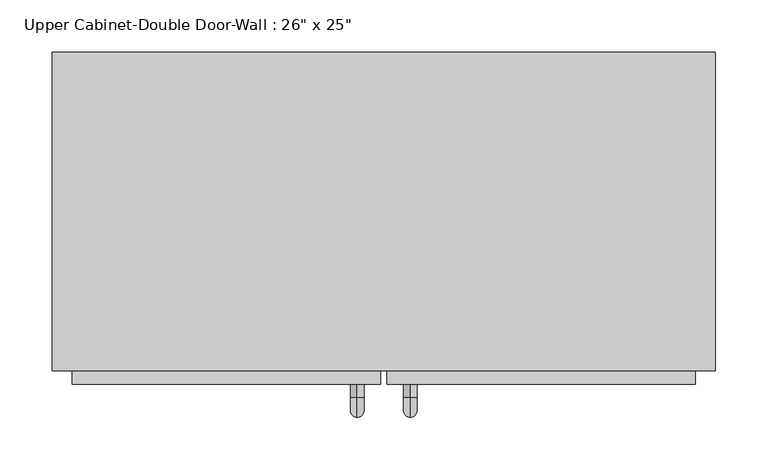
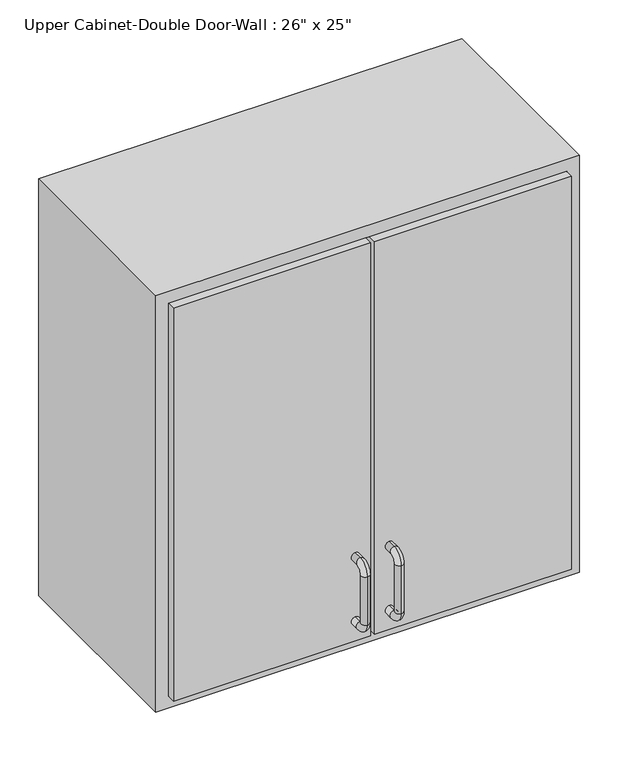
"""IFC4 building model written with IfcOpenShell, lengths in millimetres: furniture geometry."""

from ifc_helpers import new_model, si_unit, point, frame, origin, place, context, project, spatial, polyline, circle_curve, ellipse_curve, trimmed, outline, extrude, faceted_brep, source, transform, mapped, element, save
from ifc_brep_helpers import plane_surface, cylinder_surface, revolved_surface, advanced_brep


def furniture_4908967c(model_context):
    return source(origin(), model_context, "Body", "SolidModel", [
        faceted_brep([(-287.7288372, -61.9125, 2133.6), (347.2711628, -61.9125, 2133.6), (347.2711628, -61.9125, 1473.2), (-287.7288372, -61.9125, 1473.2), (-287.7288372, -366.7125, 2133.6), (-287.7288372, -366.7125, 1473.2), (347.2711628, -366.7125, 1473.2), (347.2711628, -366.7125, 2133.6), (-268.6788372, -366.7125, 2114.55), (328.2211628, -366.7125, 2114.55), (328.2211628, -366.7125, 1492.25), (-268.6788372, -366.7125, 1492.25), (-268.6788372, -80.9625, 2114.55), (328.2211628, -80.9625, 2114.55), (328.2211628, -80.9625, 1492.25), (-268.6788372, -80.9625, 1492.25)], [[[0, 1, 2, 3]], [[4, 5, 6, 7], [8, 9, 10, 11]], [[3, 5, 4, 0]], [[2, 6, 5, 3]], [[1, 7, 6, 2]], [[0, 4, 7, 1]], [[8, 12, 13, 9]], [[9, 13, 14, 10]], [[10, 14, 15, 11]], [[11, 15, 12, 8]], [[12, 15, 14, 13]]]),
        advanced_brep(
        [(55.1711628, -379.4125, 1619.25), (55.1711628, -379.4125, 1631.95), (55.1711628, -392.1125, 1631.95), (55.1711628, -392.1125, 1619.25), (55.1711628, -411.1625, 1612.9), (55.1711628, -398.4625, 1612.9), (55.1711628, -411.1625, 1536.7), (55.1711628, -398.4625, 1536.7), (55.1711628, -392.1125, 1517.65), (55.1711628, -392.1125, 1530.35), (55.1711628, -379.4125, 1530.35), (55.1711628, -379.4125, 1517.65)],
        [
            (0, 1, circle_curve(frame((55.1711628, -379.4125, 1625.6), z_axis=(0.0, 1.0, 0.0), x_axis=(0.0, 0.0, -1.0)), 6.35)),
            (1, 0, circle_curve(frame((55.1711628, -379.4125, 1625.6), z_axis=(0.0, 1.0, 0.0), x_axis=(0.0, 0.0, -1.0)), 6.35)),
            (1, 2),
            (2, 3, circle_curve(frame((55.1711628, -392.1125, 1625.6), z_axis=(0.0, 1.0, 0.0), x_axis=(0.0, 0.0, -1.0)), 6.35)),
            (3, 0),
            (3, 2, circle_curve(frame((55.1711628, -392.1125, 1625.6), z_axis=(0.0, 1.0, 0.0), x_axis=(0.0, 0.0, -1.0)), 6.35)),
            (4, 5, circle_curve(frame((55.1711628, -404.8125, 1612.9), z_axis=(0.0, 0.0, 1.0), x_axis=(0.0, 1.0, 0.0)), 6.35)),
            (5, 3, circle_curve(frame((55.1711628, -392.1125, 1612.9), z_axis=(-1.0, 0.0, 0.0), x_axis=(0.0, 0.0, 1.0)), 6.35)),
            (2, 4, circle_curve(frame((55.1711628, -392.1125, 1612.9), z_axis=(1.0, 0.0, 0.0), x_axis=(0.0, 0.0, 1.0)), 19.05)),
            (5, 4, circle_curve(frame((55.1711628, -404.8125, 1612.9), z_axis=(0.0, 0.0, 1.0), x_axis=(0.0, 1.0, 0.0)), 6.35)),
            (4, 6),
            (6, 7, circle_curve(frame((55.1711628, -404.8125, 1536.7), z_axis=(0.0, 0.0, 1.0), x_axis=(0.0, 1.0, 0.0)), 6.35)),
            (7, 5),
            (7, 6, circle_curve(frame((55.1711628, -404.8125, 1536.7), z_axis=(0.0, 0.0, 1.0), x_axis=(0.0, 1.0, 0.0)), 6.35)),
            (8, 9, circle_curve(frame((55.1711628, -392.1125, 1524.0), z_axis=(0.0, -1.0, 0.0), x_axis=(0.0, 0.0, 1.0)), 6.35)),
            (9, 7, circle_curve(frame((55.1711628, -392.1125, 1536.7), z_axis=(-1.0, 0.0, 0.0), x_axis=(0.0, -1.0, 0.0)), 6.35)),
            (6, 8, circle_curve(frame((55.1711628, -392.1125, 1536.7), z_axis=(1.0, 0.0, 0.0), x_axis=(0.0, -1.0, 0.0)), 19.05)),
            (9, 8, circle_curve(frame((55.1711628, -392.1125, 1524.0), z_axis=(0.0, -1.0, 0.0), x_axis=(0.0, 0.0, 1.0)), 6.35)),
            (10, 11, circle_curve(frame((55.1711628, -379.4125, 1524.0), z_axis=(0.0, 1.0, 0.0), x_axis=(0.0, 0.0, 1.0)), 6.35)),
            (11, 10, circle_curve(frame((55.1711628, -379.4125, 1524.0), z_axis=(0.0, 1.0, 0.0), x_axis=(0.0, 0.0, 1.0)), 6.35)),
            (8, 11),
            (10, 9),
        ],
        [
            plane_surface(frame((48.8211628, -379.4125, 1625.6), z_axis=(0.0, 1.0, 0.0), x_axis=(0.0, 0.0, 1.0))),
            cylinder_surface(frame((55.1711628, -379.4125, 1625.6), z_axis=(0.0, 1.0, 0.0), x_axis=(0.0, 0.0, -1.0)), 6.35),
            revolved_surface(trimmed(ellipse_curve(frame((55.1711628, -392.1125, 1625.6), z_axis=(0.0, -1.0, 0.0), x_axis=(0.0, 0.0, -1.0)), 6.35, 6.35), [point((55.1711628, -392.1125, 1619.25))], [point((55.1711628, -392.1125, 1631.95))], True, "CARTESIAN"), (55.1711628, -392.1125, 1612.9), (-1.0, 0.0, 0.0)),
            revolved_surface(trimmed(ellipse_curve(frame((55.1711628, -392.1125, 1625.6), z_axis=(0.0, -1.0, 0.0), x_axis=(0.0, 0.0, -1.0)), 6.35, 6.35), [point((55.1711628, -392.1125, 1631.95))], [point((55.1711628, -392.1125, 1619.25))], True, "CARTESIAN"), (55.1711628, -392.1125, 1612.9), (-1.0, 0.0, 0.0)),
            cylinder_surface(frame((55.1711628, -404.8125, 1612.9), z_axis=(0.0, 0.0, 1.0), x_axis=(0.0, 1.0, 0.0)), 6.35),
            revolved_surface(trimmed(ellipse_curve(frame((55.1711628, -404.8125, 1536.7), z_axis=(0.0, 0.0, -1.0), x_axis=(0.0, 1.0, 0.0)), 6.35, 6.35), [point((55.1711628, -398.4625, 1536.7))], [point((55.1711628, -411.1625, 1536.7))], True, "CARTESIAN"), (55.1711628, -392.1125, 1536.7), (-1.0, 0.0, 0.0)),
            revolved_surface(trimmed(ellipse_curve(frame((55.1711628, -404.8125, 1536.7), z_axis=(0.0, 0.0, -1.0), x_axis=(0.0, 1.0, 0.0)), 6.35, 6.35), [point((55.1711628, -411.1625, 1536.7))], [point((55.1711628, -398.4625, 1536.7))], True, "CARTESIAN"), (55.1711628, -392.1125, 1536.7), (-1.0, 0.0, 0.0)),
            plane_surface(frame((48.8211628, -379.4125, 1524.0), z_axis=(0.0, 1.0, 0.0), x_axis=(0.0, 0.0, -1.0))),
            cylinder_surface(frame((55.1711628, -392.1125, 1524.0), z_axis=(0.0, -1.0, 0.0), x_axis=(0.0, 0.0, 1.0)), 6.35),
        ],
        [
            (0, [[1, 2]]),
            (1, [[3, 4, 5, -2]]),
            (1, [[-5, 6, -3, -1]]),
            (2, [[7, 8, -4, 9]]),
            (3, [[10, -9, -6, -8]]),
            (4, [[11, 12, 13, -7]]),
            (4, [[-13, 14, -11, -10]]),
            (5, [[15, 16, -12, 17]]),
            (6, [[18, -17, -14, -16]]),
            (7, [[19, 20]]),
            (8, [[21, -19, 22, -15]]),
            (8, [[-22, -20, -21, -18]]),
        ],
    ),
        advanced_brep(
        [(4.3711628, -379.4125, 1619.25), (4.3711628, -379.4125, 1631.95), (4.3711628, -392.1125, 1631.95), (4.3711628, -392.1125, 1619.25), (4.3711628, -411.1625, 1612.9), (4.3711628, -398.4625, 1612.9), (4.3711628, -411.1625, 1536.7), (4.3711628, -398.4625, 1536.7), (4.3711628, -392.1125, 1517.65), (4.3711628, -392.1125, 1530.35), (4.3711628, -379.4125, 1530.35), (4.3711628, -379.4125, 1517.65)],
        [
            (0, 1, circle_curve(frame((4.3711628, -379.4125, 1625.6), z_axis=(0.0, 1.0, 0.0), x_axis=(0.0, 0.0, 1.0)), 6.35)),
            (1, 0, circle_curve(frame((4.3711628, -379.4125, 1625.6), z_axis=(0.0, 1.0, 0.0), x_axis=(0.0, 0.0, 1.0)), 6.35)),
            (1, 2),
            (2, 3, circle_curve(frame((4.3711628, -392.1125, 1625.6), z_axis=(0.0, 1.0, 0.0), x_axis=(0.0, 0.0, 1.0)), 6.35)),
            (3, 0),
            (3, 2, circle_curve(frame((4.3711628, -392.1125, 1625.6), z_axis=(0.0, 1.0, 0.0), x_axis=(0.0, 0.0, 1.0)), 6.35)),
            (4, 5, circle_curve(frame((4.3711628, -404.8125, 1612.9), z_axis=(0.0, 0.0, 1.0), x_axis=(0.0, -1.0, 0.0)), 6.35)),
            (5, 3, circle_curve(frame((4.3711628, -392.1125, 1612.9), z_axis=(-1.0, 0.0, 0.0), x_axis=(0.0, 0.0, 1.0)), 6.35)),
            (2, 4, circle_curve(frame((4.3711628, -392.1125, 1612.9), z_axis=(1.0, 0.0, 0.0), x_axis=(0.0, 0.0, 1.0)), 19.05)),
            (5, 4, circle_curve(frame((4.3711628, -404.8125, 1612.9), z_axis=(0.0, 0.0, 1.0), x_axis=(0.0, -1.0, 0.0)), 6.35)),
            (4, 6),
            (6, 7, circle_curve(frame((4.3711628, -404.8125, 1536.7), z_axis=(0.0, 0.0, 1.0), x_axis=(0.0, -1.0, 0.0)), 6.35)),
            (7, 5),
            (7, 6, circle_curve(frame((4.3711628, -404.8125, 1536.7), z_axis=(0.0, 0.0, 1.0), x_axis=(0.0, -1.0, 0.0)), 6.35)),
            (8, 9, circle_curve(frame((4.3711628, -392.1125, 1524.0), z_axis=(0.0, -1.0, 0.0), x_axis=(0.0, 0.0, -1.0)), 6.35)),
            (9, 7, circle_curve(frame((4.3711628, -392.1125, 1536.7), z_axis=(-1.0, 0.0, 0.0), x_axis=(0.0, -1.0, 0.0)), 6.35)),
            (6, 8, circle_curve(frame((4.3711628, -392.1125, 1536.7), z_axis=(1.0, 0.0, 0.0), x_axis=(0.0, -1.0, 0.0)), 19.05)),
            (9, 8, circle_curve(frame((4.3711628, -392.1125, 1524.0), z_axis=(0.0, -1.0, 0.0), x_axis=(0.0, 0.0, -1.0)), 6.35)),
            (10, 11, circle_curve(frame((4.3711628, -379.4125, 1524.0), z_axis=(0.0, 1.0, 0.0), x_axis=(0.0, 0.0, -1.0)), 6.35)),
            (11, 10, circle_curve(frame((4.3711628, -379.4125, 1524.0), z_axis=(0.0, 1.0, 0.0), x_axis=(0.0, 0.0, -1.0)), 6.35)),
            (8, 11),
            (10, 9),
        ],
        [
            plane_surface(frame((-1.9788372, -379.4125, 1625.6), z_axis=(0.0, 1.0, 0.0), x_axis=(0.0, 0.0, 1.0))),
            cylinder_surface(frame((4.3711628, -379.4125, 1625.6), z_axis=(0.0, 1.0, 0.0), x_axis=(0.0, 0.0, 1.0)), 6.35),
            revolved_surface(trimmed(ellipse_curve(frame((4.3711628, -392.1125, 1625.6), z_axis=(0.0, -1.0, 0.0), x_axis=(0.0, 0.0, 1.0)), 6.35, 6.35), [point((4.3711628, -392.1125, 1619.25))], [point((4.3711628, -392.1125, 1631.95))], True, "CARTESIAN"), (4.3711628, -392.1125, 1612.9), (-1.0, 0.0, 0.0)),
            revolved_surface(trimmed(ellipse_curve(frame((4.3711628, -392.1125, 1625.6), z_axis=(0.0, -1.0, 0.0), x_axis=(0.0, 0.0, 1.0)), 6.35, 6.35), [point((4.3711628, -392.1125, 1631.95))], [point((4.3711628, -392.1125, 1619.25))], True, "CARTESIAN"), (4.3711628, -392.1125, 1612.9), (-1.0, 0.0, 0.0)),
            cylinder_surface(frame((4.3711628, -404.8125, 1612.9), z_axis=(0.0, 0.0, 1.0), x_axis=(0.0, -1.0, 0.0)), 6.35),
            revolved_surface(trimmed(ellipse_curve(frame((4.3711628, -404.8125, 1536.7), z_axis=(0.0, 0.0, -1.0), x_axis=(0.0, -1.0, 0.0)), 6.35, 6.35), [point((4.3711628, -398.4625, 1536.7))], [point((4.3711628, -411.1625, 1536.7))], True, "CARTESIAN"), (4.3711628, -392.1125, 1536.7), (-1.0, 0.0, 0.0)),
            revolved_surface(trimmed(ellipse_curve(frame((4.3711628, -404.8125, 1536.7), z_axis=(0.0, 0.0, -1.0), x_axis=(0.0, -1.0, 0.0)), 6.35, 6.35), [point((4.3711628, -411.1625, 1536.7))], [point((4.3711628, -398.4625, 1536.7))], True, "CARTESIAN"), (4.3711628, -392.1125, 1536.7), (-1.0, 0.0, 0.0)),
            plane_surface(frame((-1.9788372, -379.4125, 1524.0), z_axis=(0.0, 1.0, 0.0), x_axis=(0.0, 0.0, -1.0))),
            cylinder_surface(frame((4.3711628, -392.1125, 1524.0), z_axis=(0.0, -1.0, 0.0), x_axis=(0.0, 0.0, -1.0)), 6.35),
        ],
        [
            (0, [[1, 2]]),
            (1, [[3, 4, 5, -2]]),
            (1, [[-5, 6, -3, -1]]),
            (2, [[7, 8, -4, 9]]),
            (3, [[10, -9, -6, -8]]),
            (4, [[11, 12, 13, -7]]),
            (4, [[-13, 14, -11, -10]]),
            (5, [[15, 16, -12, 17]]),
            (6, [[18, -17, -14, -16]]),
            (7, [[19, 20]]),
            (8, [[21, -19, 22, -15]]),
            (8, [[-22, -20, -21, -18]]),
        ],
    ),
        extrude(outline(polyline([(32.9461628, -379.4125), (32.9461628, -347.6625), (328.2211628, -347.6625), (328.2211628, -379.4125), (32.9461628, -379.4125)])), frame((0.0, 0.0, 1492.25), z_axis=(0.0, 0.0, 1.0), x_axis=(1.0, 0.0, 0.0)), (0.0, 0.0, 1.0), 622.3),
        extrude(outline(polyline([(-268.6788372, -379.4125), (-268.6788372, -347.6625), (26.5961628, -347.6625), (26.5961628, -379.4125), (-268.6788372, -379.4125)])), frame((0.0, 0.0, 1492.25), z_axis=(0.0, 0.0, 1.0), x_axis=(1.0, 0.0, 0.0)), (0.0, 0.0, 1.0), 622.3),
    ])


if __name__ == "__main__":
    model = new_model("IFC4")
    model_context = context("Model", 3, world=origin())
    ifc_project = project(units=[si_unit("LENGTHUNIT", "METRE", prefix="MILLI")], contexts=[model_context])
    site = spatial("IfcSite", under=ifc_project)
    building = spatial("IfcBuilding", under=site)
    placement = place(None, origin())
    furniture_shape = furniture_4908967c(model_context)
    element("IfcFurniture", 1, ObjectType="Upper Cabinet-Double Door-Wall : 26\" x 25\"", at=placement, inside=building, context=model_context, shape_type="MappedRepresentation", body=[
        mapped(furniture_shape, transform((0.0, 0.0, 0.0), x_axis=(1.0, 0.0, 0.0), y_axis=(0.0, 1.0, 0.0), z_axis=(0.0, 0.0, 1.0))),
    ])
    save(model, "model.ifc")
